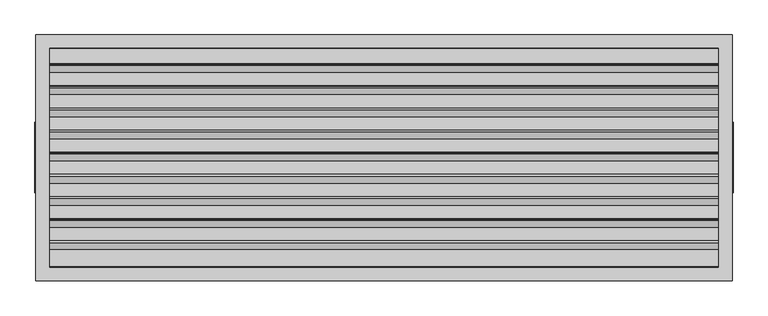
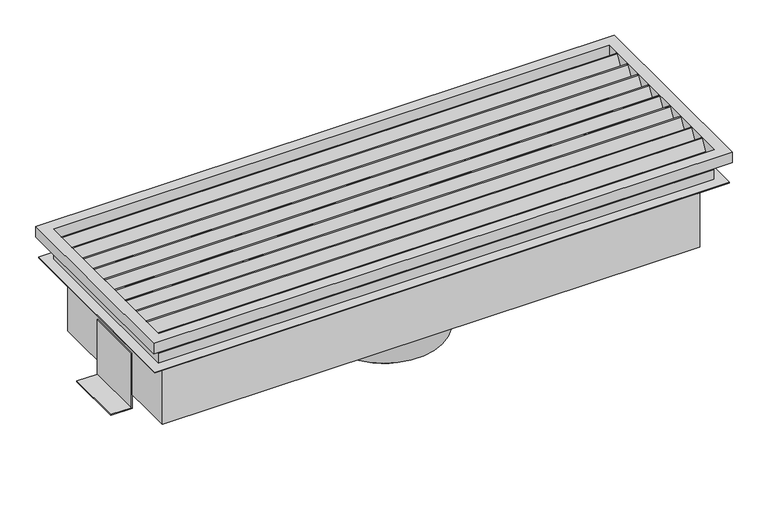
"""IFC4 building model written with IfcOpenShell, lengths in millimetres: proxy geometry."""

from ifc_helpers import new_model, si_unit, point, frame, frame_2d, origin, origin_2d, place, context, project, spatial, polyline, circle_curve, trimmed, segment, composite_curve, outline, extrude, source, transform, mapped, element, save


def generic_models_981e53d4(model_context):
    return source(origin(), model_context, "Body", "SweptSolid", [
        extrude(outline(composite_curve([segment(trimmed(circle_curve(origin_2d(), 63.5), [point((-63.5, 0.0))], [point((63.5, 0.0))], False, "CARTESIAN"), True, "CONTINUOUS"), segment(trimmed(circle_curve(origin_2d(), 63.5), [point((63.5, 0.0))], [point((-63.5, 0.0))], False, "CARTESIAN"), True, "CONTINUOUS")], self_intersect=False)), frame((0.0, 0.0, -67.31), z_axis=(0.0, 0.0, 1.0), x_axis=(1.0, 0.0, 0.0)), (0.0, 0.0, 1.0), 26.924),
        extrude(outline(composite_curve([segment(trimmed(circle_curve(origin_2d(), 101.6), [point((-101.6, 0.0))], [point((101.6, 0.0))], False, "CARTESIAN"), True, "CONTINUOUS"), segment(trimmed(circle_curve(origin_2d(), 101.6), [point((101.6, 0.0))], [point((-101.6, 0.0))], False, "CARTESIAN"), True, "CONTINUOUS")], self_intersect=False)), frame((0.0, 0.0, -40.386), z_axis=(0.0, 0.0, 1.0), x_axis=(1.0, 0.0, 0.0)), (0.0, 0.0, 1.0), 65.786),
        extrude(outline(polyline([(101.6, 465.8317904), (0.0, 465.8317904), (0.0, 503.0172125), (1.524, 503.0172125), (1.524, 467.3557831), (101.6, 467.3557831), (101.6, 465.8317904)])), frame((0.0, -50.7997675, 0.0), z_axis=(0.0, 1.0, 0.0), x_axis=(0.0, 0.0, 1.0)), (0.0, 0.0, 1.0), 101.5995349),
        extrude(outline(polyline([(1.524, -503.0172125), (0.0, -503.0172125), (0.0, -465.8317904), (101.6, -465.8317904), (101.6, -467.3557831), (1.524, -467.3557831), (1.524, -503.0172125)])), frame((0.0, -50.7997675, 0.0), z_axis=(0.0, 1.0, 0.0), x_axis=(0.0, 0.0, 1.0)), (0.0, 0.0, 1.0), 101.5995349),
        extrude(outline(polyline([(-465.8317929, 141.8301083), (465.8317904, 141.8301083), (465.8317904, -141.8300785), (-465.8317929, -141.8300785), (-465.8317929, 141.8301083)])), frame((0.0, 0.0, 25.4), z_axis=(0.0, 0.0, 1.0), x_axis=(1.0, 0.0, 0.0)), (0.0, 0.0, 1.0), 127.0),
        extrude(outline(polyline([(-497.997618, 174.1477113), (497.9976155, 174.1477113), (497.9976155, -174.1477411), (-497.997618, -174.1477411), (-497.997618, 174.1477113)])), frame((0.0, 0.0, 150.876), z_axis=(0.0, 0.0, 1.0), x_axis=(1.0, 0.0, 0.0)), (0.0, 0.0, 1.0), 1.524),
        extrude(outline(polyline([(-481.6989273, 156.7353109), (481.6989273, 156.7353109), (481.6989273, -156.7353109), (-481.6989273, -156.7353109), (-481.6989273, 156.7353109)])), frame((0.0, 0.0, 152.4), z_axis=(0.0, 0.0, 1.0), x_axis=(1.0, 0.0, 0.0)), (0.0, 0.0, 1.0), 18.288),
        extrude(outline(polyline([(-481.6989273, 156.7353109), (481.6989273, 156.7353109), (481.6989273, -156.7353109), (-481.6989273, -156.7353109), (-481.6989273, 156.7353109)])), frame((0.0, 0.0, 170.688), z_axis=(0.0, 0.0, 1.0), x_axis=(1.0, 0.0, 0.0)), (0.0, 0.0, 1.0), 18.288),
        extrude(outline(polyline([(501.4975509, 176.6944267), (501.4975509, -177.4038676), (-501.4976105, -177.4038676), (-501.4976105, 176.6944267), (501.4975509, 176.6944267)]), holes=[polyline([(-481.3938945, 157.4968758), (-481.3938945, -158.2062571), (481.5119707, -158.2062571), (481.5119707, 157.4968758), (-481.3938945, 157.4968758)])]), frame((0.0, 0.0, 188.976), z_axis=(0.0, 0.0, 1.0), x_axis=(1.0, 0.0, 0.0)), (0.0, 0.0, 1.0), 19.05),
        extrude(outline(composite_curve([segment(polyline([(135.0104404, 205.945267), (130.9019904, 198.8292229), (130.1100968, 199.2864229), (134.2185468, 206.402467)]), True, "CONTINUOUS"), segment(trimmed(circle_curve(frame_2d((133.8775926, 206.599317)), 0.3937), [point((134.2185468, 206.402467))], [point((133.5366384, 206.796167))], True, "CARTESIAN"), True, "CONTINUOUS"), segment(polyline([(133.5366384, 206.796167), (113.3035442, 171.7514198), (112.5116506, 172.2086198), (132.7447448, 207.253367)]), True, "CONTINUOUS"), segment(trimmed(circle_curve(frame_2d((133.8775926, 206.599317)), 1.3081), [point((132.7447448, 207.253367))], [point((135.0104404, 205.945267))], False, "CARTESIAN"), True, "CONTINUOUS")], self_intersect=False)), frame((-481.3938945, 0.0, 0.0), z_axis=(1.0, 0.0, 0.0), x_axis=(0.0, 1.0, 0.0)), (0.0, 0.0, 1.0), 962.9058652),
        extrude(outline(composite_curve([segment(polyline([(103.1016904, 205.945267), (98.9932404, 198.8292229), (98.2013468, 199.2864229), (102.3097968, 206.402467)]), True, "CONTINUOUS"), segment(trimmed(circle_curve(frame_2d((101.9688426, 206.599317)), 0.3937), [point((102.3097968, 206.402467))], [point((101.6278884, 206.796167))], True, "CARTESIAN"), True, "CONTINUOUS"), segment(polyline([(101.6278884, 206.796167), (81.3947942, 171.7514198), (80.6029006, 172.2086198), (100.8359948, 207.253367)]), True, "CONTINUOUS"), segment(trimmed(circle_curve(frame_2d((101.9688426, 206.599317)), 1.3081), [point((100.8359948, 207.253367))], [point((103.1016904, 205.945267))], False, "CARTESIAN"), True, "CONTINUOUS")], self_intersect=False)), frame((-481.3938945, 0.0, 0.0), z_axis=(1.0, 0.0, 0.0), x_axis=(0.0, 1.0, 0.0)), (0.0, 0.0, 1.0), 962.9058652),
        extrude(outline(composite_curve([segment(polyline([(71.1929404, 205.945267), (67.0844904, 198.8292229), (66.2925968, 199.2864229), (70.4010468, 206.402467)]), True, "CONTINUOUS"), segment(trimmed(circle_curve(frame_2d((70.0600926, 206.599317)), 0.3937), [point((70.4010468, 206.402467))], [point((69.7191384, 206.796167))], True, "CARTESIAN"), True, "CONTINUOUS"), segment(polyline([(69.7191384, 206.796167), (49.4860442, 171.7514198), (48.6941506, 172.2086198), (68.9272448, 207.253367)]), True, "CONTINUOUS"), segment(trimmed(circle_curve(frame_2d((70.0600926, 206.599317)), 1.3081), [point((68.9272448, 207.253367))], [point((71.1929404, 205.945267))], False, "CARTESIAN"), True, "CONTINUOUS")], self_intersect=False)), frame((-481.3938945, 0.0, 0.0), z_axis=(1.0, 0.0, 0.0), x_axis=(0.0, 1.0, 0.0)), (0.0, 0.0, 1.0), 962.9058652),
        extrude(outline(composite_curve([segment(polyline([(39.2841904, 205.945267), (35.1757404, 198.8292229), (34.3838468, 199.2864229), (38.4922968, 206.402467)]), True, "CONTINUOUS"), segment(trimmed(circle_curve(frame_2d((38.1513426, 206.599317)), 0.3937), [point((38.4922968, 206.402467))], [point((37.8103884, 206.796167))], True, "CARTESIAN"), True, "CONTINUOUS"), segment(polyline([(37.8103884, 206.796167), (17.5772942, 171.7514198), (16.7854006, 172.2086198), (37.0184948, 207.253367)]), True, "CONTINUOUS"), segment(trimmed(circle_curve(frame_2d((38.1513426, 206.599317)), 1.3081), [point((37.0184948, 207.253367))], [point((39.2841904, 205.945267))], False, "CARTESIAN"), True, "CONTINUOUS")], self_intersect=False)), frame((-481.3938945, 0.0, 0.0), z_axis=(1.0, 0.0, 0.0), x_axis=(0.0, 1.0, 0.0)), (0.0, 0.0, 1.0), 962.9058652),
        extrude(outline(composite_curve([segment(polyline([(7.3754404, 205.945267), (3.2669904, 198.8292229), (2.4750968, 199.2864229), (6.5835468, 206.402467)]), True, "CONTINUOUS"), segment(trimmed(circle_curve(frame_2d((6.2425926, 206.599317)), 0.3937), [point((6.5835468, 206.402467))], [point((5.9016384, 206.796167))], True, "CARTESIAN"), True, "CONTINUOUS"), segment(polyline([(5.9016384, 206.796167), (-14.3314558, 171.7514198), (-15.1233494, 172.2086198), (5.1097448, 207.253367)]), True, "CONTINUOUS"), segment(trimmed(circle_curve(frame_2d((6.2425926, 206.599317)), 1.3081), [point((5.1097448, 207.253367))], [point((7.3754404, 205.945267))], False, "CARTESIAN"), True, "CONTINUOUS")], self_intersect=False)), frame((-481.3938945, 0.0, 0.0), z_axis=(1.0, 0.0, 0.0), x_axis=(0.0, 1.0, 0.0)), (0.0, 0.0, 1.0), 962.9058652),
        extrude(outline(composite_curve([segment(polyline([(-24.5333096, 205.945267), (-28.6417596, 198.8292229), (-29.4336532, 199.2864229), (-25.3252032, 206.402467)]), True, "CONTINUOUS"), segment(trimmed(circle_curve(frame_2d((-25.6661574, 206.599317)), 0.3937), [point((-25.3252032, 206.402467))], [point((-26.0071116, 206.796167))], True, "CARTESIAN"), True, "CONTINUOUS"), segment(polyline([(-26.0071116, 206.796167), (-46.2402058, 171.7514198), (-47.0320994, 172.2086198), (-26.7990052, 207.253367)]), True, "CONTINUOUS"), segment(trimmed(circle_curve(frame_2d((-25.6661574, 206.599317)), 1.3081), [point((-26.7990052, 207.253367))], [point((-24.5333096, 205.945267))], False, "CARTESIAN"), True, "CONTINUOUS")], self_intersect=False)), frame((-481.3938945, 0.0, 0.0), z_axis=(1.0, 0.0, 0.0), x_axis=(0.0, 1.0, 0.0)), (0.0, 0.0, 1.0), 962.9058652),
        extrude(outline(composite_curve([segment(polyline([(-56.4420596, 205.945267), (-60.5505096, 198.8292229), (-61.3424032, 199.2864229), (-57.2339532, 206.402467)]), True, "CONTINUOUS"), segment(trimmed(circle_curve(frame_2d((-57.5749074, 206.599317)), 0.3937), [point((-57.2339532, 206.402467))], [point((-57.9158616, 206.796167))], True, "CARTESIAN"), True, "CONTINUOUS"), segment(polyline([(-57.9158616, 206.796167), (-78.1489558, 171.7514198), (-78.9408494, 172.2086198), (-58.7077552, 207.253367)]), True, "CONTINUOUS"), segment(trimmed(circle_curve(frame_2d((-57.5749074, 206.599317)), 1.3081), [point((-58.7077552, 207.253367))], [point((-56.4420596, 205.945267))], False, "CARTESIAN"), True, "CONTINUOUS")], self_intersect=False)), frame((-481.3938945, 0.0, 0.0), z_axis=(1.0, 0.0, 0.0), x_axis=(0.0, 1.0, 0.0)), (0.0, 0.0, 1.0), 962.9058652),
        extrude(outline(composite_curve([segment(polyline([(-88.3508096, 205.945267), (-92.4592596, 198.8292229), (-93.2511532, 199.2864229), (-89.1427032, 206.402467)]), True, "CONTINUOUS"), segment(trimmed(circle_curve(frame_2d((-89.4836574, 206.599317)), 0.3937), [point((-89.1427032, 206.402467))], [point((-89.8246116, 206.796167))], True, "CARTESIAN"), True, "CONTINUOUS"), segment(polyline([(-89.8246116, 206.796167), (-110.0577058, 171.7514198), (-110.8495994, 172.2086198), (-90.6165052, 207.253367)]), True, "CONTINUOUS"), segment(trimmed(circle_curve(frame_2d((-89.4836574, 206.599317)), 1.3081), [point((-90.6165052, 207.253367))], [point((-88.3508096, 205.945267))], False, "CARTESIAN"), True, "CONTINUOUS")], self_intersect=False)), frame((-481.3938945, 0.0, 0.0), z_axis=(1.0, 0.0, 0.0), x_axis=(0.0, 1.0, 0.0)), (0.0, 0.0, 1.0), 962.9058652),
        extrude(outline(composite_curve([segment(polyline([(-120.2595596, 205.945267), (-124.3680096, 198.8292229), (-125.1599032, 199.2864229), (-121.0514532, 206.402467)]), True, "CONTINUOUS"), segment(trimmed(circle_curve(frame_2d((-121.3924074, 206.599317)), 0.3937), [point((-121.0514532, 206.402467))], [point((-121.7333616, 206.796167))], True, "CARTESIAN"), True, "CONTINUOUS"), segment(polyline([(-121.7333616, 206.796167), (-141.9664558, 171.7514198), (-142.7583494, 172.2086198), (-122.5252552, 207.253367)]), True, "CONTINUOUS"), segment(trimmed(circle_curve(frame_2d((-121.3924074, 206.599317)), 1.3081), [point((-122.5252552, 207.253367))], [point((-120.2595596, 205.945267))], False, "CARTESIAN"), True, "CONTINUOUS")], self_intersect=False)), frame((-481.3938945, 0.0, 0.0), z_axis=(1.0, 0.0, 0.0), x_axis=(0.0, 1.0, 0.0)), (0.0, 0.0, 1.0), 962.9058652),
    ])


if __name__ == "__main__":
    model = new_model("IFC4")
    model_context = context("Model", 3, world=origin())
    ifc_project = project(units=[si_unit("LENGTHUNIT", "METRE", prefix="MILLI")], contexts=[model_context])
    site = spatial("IfcSite", under=ifc_project)
    building = spatial("IfcBuilding", under=site)
    placement = place(None, origin())
    generic_models_shape = generic_models_981e53d4(model_context)
    element("IfcBuildingElementProxy", 1, Name="Generic Models", at=placement, inside=building, context=model_context, shape_type="MappedRepresentation", body=[
        mapped(generic_models_shape, transform((0.0, 0.0, 0.0), x_axis=(1.0, 0.0, 0.0), y_axis=(0.0, 1.0, 0.0), z_axis=(0.0, 0.0, 1.0))),
    ])
    save(model, "model.ifc")
